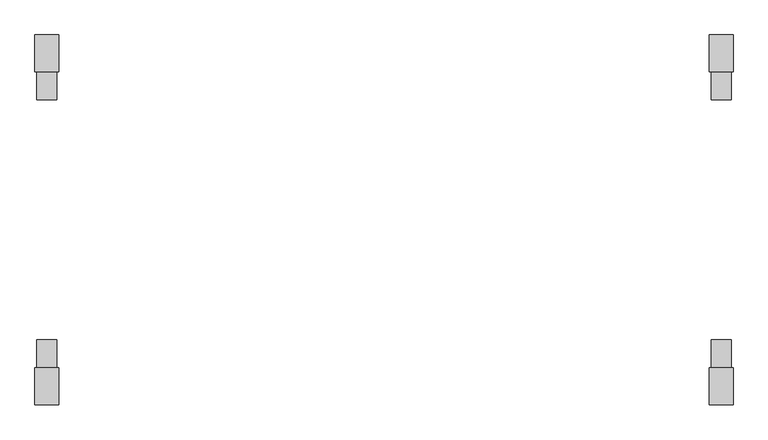
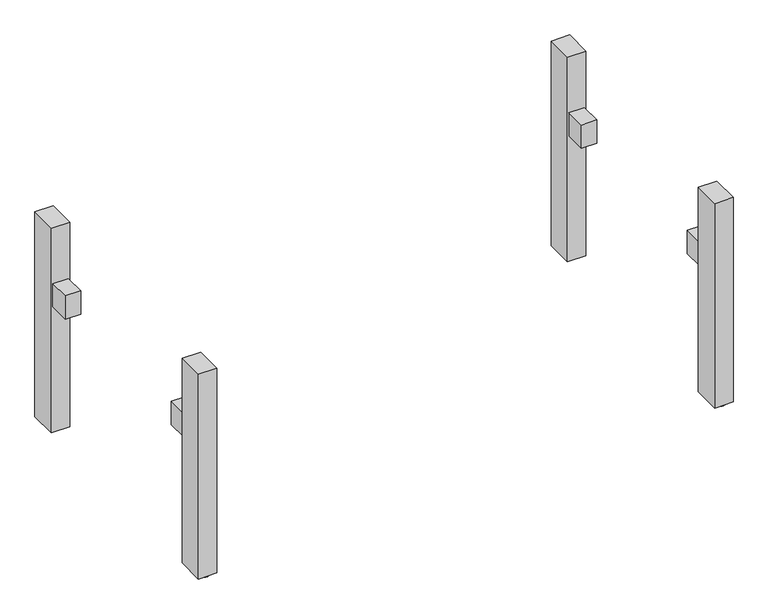
"""IFC4 building model written with IfcOpenShell, lengths in millimetres: furniture geometry."""

from ifc_helpers import new_model, si_unit, point, frame, frame_2d, origin, origin_with_axes, place, context, project, spatial, polyline, circle_curve, trimmed, segment, composite_curve, outline, extrude, source, transform, mapped, element, save


def furniture_b5ed9077(model_context):
    return source(origin(), model_context, "Body", "SweptSolid", [
        extrude(outline(polyline([(-865.0, -369.0), (-865.0, -299.0), (-815.0, -299.0), (-815.0, -369.0), (-865.0, -369.0)])), frame((0.0, 0.0, 437.5), z_axis=(0.0, 0.0, 1.0), x_axis=(1.0, 0.0, 0.0)), (0.0, 0.0, 1.0), 80.0),
        extrude(outline(polyline([(815.0, -369.0), (815.0, -299.0), (865.0, -299.0), (865.0, -369.0), (815.0, -369.0)])), frame((0.0, 0.0, 437.5), z_axis=(0.0, 0.0, 1.0), x_axis=(1.0, 0.0, 0.0)), (0.0, 0.0, 1.0), 80.0),
        extrude(outline(polyline([(-815.0, 369.0), (-815.0, 299.0), (-865.0, 299.0), (-865.0, 369.0), (-815.0, 369.0)])), frame((0.0, 0.0, 437.5), z_axis=(0.0, 0.0, 1.0), x_axis=(1.0, 0.0, 0.0)), (0.0, 0.0, 1.0), 80.0),
        extrude(outline(polyline([(865.0, 369.0), (865.0, 299.0), (815.0, 299.0), (815.0, 369.0), (865.0, 369.0)])), frame((0.0, 0.0, 437.5), z_axis=(0.0, 0.0, 1.0), x_axis=(1.0, 0.0, 0.0)), (0.0, 0.0, 1.0), 80.0),
        extrude(outline(composite_curve([segment(trimmed(circle_curve(frame_2d((-839.9999984, -431.0)), 25.0), [point((-864.9999984, -431.0))], [point((-814.9999984, -431.0))], False, "CARTESIAN"), True, "CONTINUOUS"), segment(trimmed(circle_curve(frame_2d((-839.9999984, -431.0)), 25.0), [point((-814.9999984, -431.0))], [point((-864.9999984, -431.0))], False, "CARTESIAN"), True, "CONTINUOUS")], self_intersect=False)), origin_with_axes(), (0.0, 0.0, 1.0), 6.0),
        extrude(outline(composite_curve([segment(trimmed(circle_curve(frame_2d((839.9999984, -431.0)), 25.0), [point((814.9999984, -431.0))], [point((864.9999984, -431.0))], False, "CARTESIAN"), True, "CONTINUOUS"), segment(trimmed(circle_curve(frame_2d((839.9999984, -431.0)), 25.0), [point((864.9999984, -431.0))], [point((814.9999984, -431.0))], False, "CARTESIAN"), True, "CONTINUOUS")], self_intersect=False)), origin_with_axes(), (0.0, 0.0, 1.0), 6.0),
        extrude(outline(composite_curve([segment(trimmed(circle_curve(frame_2d((-839.9999984, 431.0)), 25.0), [point((-864.9999984, 431.0))], [point((-814.9999984, 431.0))], False, "CARTESIAN"), True, "CONTINUOUS"), segment(trimmed(circle_curve(frame_2d((-839.9999984, 431.0)), 25.0), [point((-814.9999984, 431.0))], [point((-864.9999984, 431.0))], False, "CARTESIAN"), True, "CONTINUOUS")], self_intersect=False)), origin_with_axes(), (0.0, 0.0, 1.0), 6.0),
        extrude(outline(composite_curve([segment(trimmed(circle_curve(frame_2d((839.9999984, 431.0)), 25.0), [point((814.9999984, 431.0))], [point((864.9999984, 431.0))], False, "CARTESIAN"), True, "CONTINUOUS"), segment(trimmed(circle_curve(frame_2d((839.9999984, 431.0)), 25.0), [point((864.9999984, 431.0))], [point((814.9999984, 431.0))], False, "CARTESIAN"), True, "CONTINUOUS")], self_intersect=False)), origin_with_axes(), (0.0, 0.0, 1.0), 6.0),
        extrude(outline(polyline([(-809.9999968, 461.0), (-809.9999968, 369.0), (-870.0, 369.0), (-870.0, 461.0), (-809.9999968, 461.0)])), frame((0.0, 0.0, 6.0), z_axis=(0.0, 0.0, 1.0), x_axis=(1.0, 0.0, 0.0)), (0.0, 0.0, 1.0), 704.0),
        extrude(outline(polyline([(809.9999968, 461.0), (870.0, 461.0), (870.0, 369.0), (809.9999968, 369.0), (809.9999968, 461.0)])), frame((0.0, 0.0, 6.0), z_axis=(0.0, 0.0, 1.0), x_axis=(1.0, 0.0, 0.0)), (0.0, 0.0, 1.0), 704.0),
        extrude(outline(polyline([(-809.9999968, -461.0), (-870.0, -461.0), (-870.0, -369.0), (-809.9999968, -369.0), (-809.9999968, -461.0)])), frame((0.0, 0.0, 6.0), z_axis=(0.0, 0.0, 1.0), x_axis=(1.0, 0.0, 0.0)), (0.0, 0.0, 1.0), 704.0),
        extrude(outline(polyline([(809.9999968, -461.0), (809.9999968, -369.0), (870.0, -369.0), (870.0, -461.0), (809.9999968, -461.0)])), frame((0.0, 0.0, 6.0), z_axis=(0.0, 0.0, 1.0), x_axis=(1.0, 0.0, 0.0)), (0.0, 0.0, 1.0), 704.0),
    ])


if __name__ == "__main__":
    model = new_model("IFC4")
    model_context = context("Model", 3, world=origin())
    ifc_project = project(units=[si_unit("LENGTHUNIT", "METRE", prefix="MILLI")], contexts=[model_context])
    site = spatial("IfcSite", under=ifc_project)
    building = spatial("IfcBuilding", under=site)
    placement = place(None, origin())
    furniture_shape = furniture_b5ed9077(model_context)
    element("IfcFurniture", 1, at=placement, inside=building, context=model_context, shape_type="MappedRepresentation", body=[
        mapped(furniture_shape, transform((0.0, 0.0, 0.0), x_axis=(1.0, 0.0, 0.0), y_axis=(0.0, 1.0, 0.0), z_axis=(0.0, 0.0, 1.0))),
    ])
    save(model, "model.ifc")
